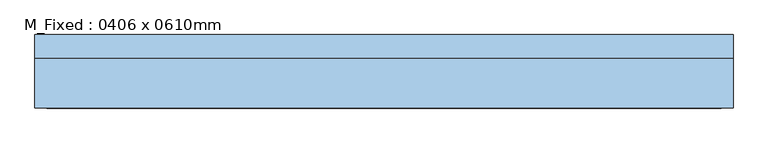
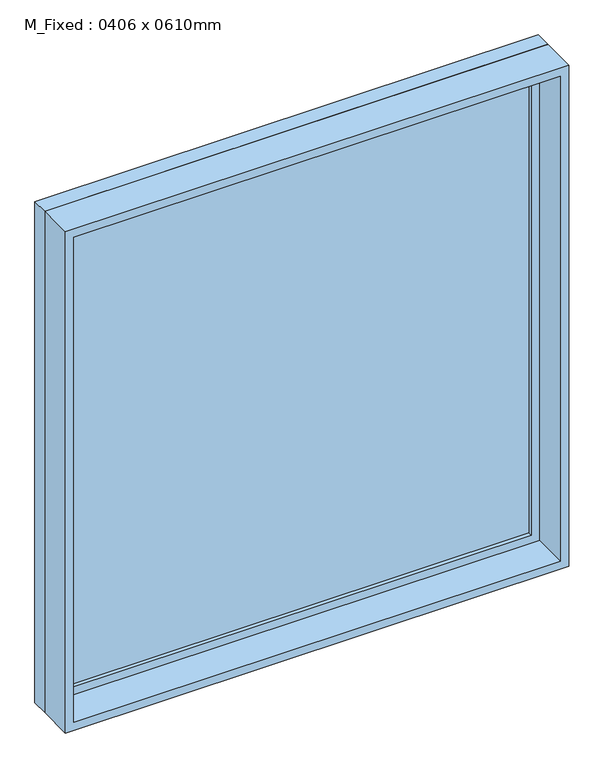
"""IFC4 building model written with IfcOpenShell, lengths in millimetres: window geometry, M_Fixed : 0406 x 0610mm."""

from ifc_helpers import new_model, si_unit, frame, origin, place, context, project, spatial, polyline, outline, extrude, source, transform, mapped, element, save


def m_fixed_0406_x_0610mm_845b1401(model_context):
    return source(origin(), model_context, "Body", "SweptSolid", [
        extrude(outline(polyline([(-887.0, 78.0), (887.0, 78.0), (887.0, 66.0), (-887.0, 66.0), (-887.0, 78.0)])), frame((0.0, 0.0, 978.0), z_axis=(0.0, 0.0, 1.0), x_axis=(1.0, 0.0, 0.0)), (0.0, 0.0, 1.0), 1874.0),
        extrude(outline(polyline([(2896.0, -931.0), (934.0, -931.0), (934.0, 931.0), (2896.0, 931.0), (2896.0, -931.0)]), holes=[polyline([(2852.0, -887.0), (2852.0, 887.0), (978.0, 887.0), (978.0, -887.0), (2852.0, -887.0)])]), frame((0.0, 50.0, 0.0), z_axis=(0.0, 1.0, 0.0), x_axis=(0.0, 0.0, 1.0)), (0.0, 0.0, 1.0), 44.0),
        extrude(outline(polyline([(2915.0, -950.0), (915.0, -950.0), (915.0, 950.0), (2915.0, 950.0), (2915.0, -950.0)]), holes=[polyline([(2896.0, -931.0), (2896.0, 931.0), (934.0, 931.0), (934.0, -931.0), (2896.0, -931.0)])]), frame((0.0, 50.0, 0.0), z_axis=(0.0, 1.0, 0.0), x_axis=(0.0, 0.0, 1.0)), (0.0, 0.0, 1.0), 63.0),
        extrude(outline(polyline([(2915.0, -950.0), (915.0, -950.0), (915.0, 950.0), (2915.0, 950.0), (2915.0, -950.0)]), holes=[polyline([(2883.0, -918.0), (2883.0, 918.0), (947.0, 918.0), (947.0, -918.0), (2883.0, -918.0)])]), frame((0.0, -87.0, 0.0), z_axis=(0.0, 1.0, 0.0), x_axis=(0.0, 0.0, 1.0)), (0.0, 0.0, 1.0), 137.0),
    ])


if __name__ == "__main__":
    model = new_model("IFC4")
    model_context = context("Model", 3, world=origin())
    ifc_project = project(units=[si_unit("LENGTHUNIT", "METRE", prefix="MILLI")], contexts=[model_context])
    site = spatial("IfcSite", under=ifc_project)
    building = spatial("IfcBuilding", under=site)
    placement = place(None, origin())
    m_fixed_0406_x_0610mm_shape = m_fixed_0406_x_0610mm_845b1401(model_context)
    element("IfcWindow", 1, ObjectType="M_Fixed : 0406 x 0610mm", at=placement, inside=building, context=model_context, shape_type="MappedRepresentation", body=[
        mapped(m_fixed_0406_x_0610mm_shape, transform((0.0, 0.0, 0.0), x_axis=(1.0, 0.0, 0.0), y_axis=(0.0, 1.0, 0.0), z_axis=(0.0, 0.0, 1.0))),
    ])
    save(model, "model.ifc")
